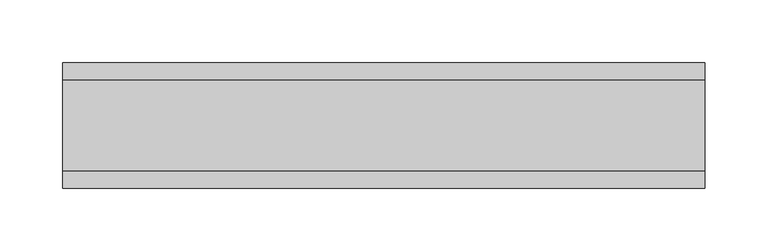
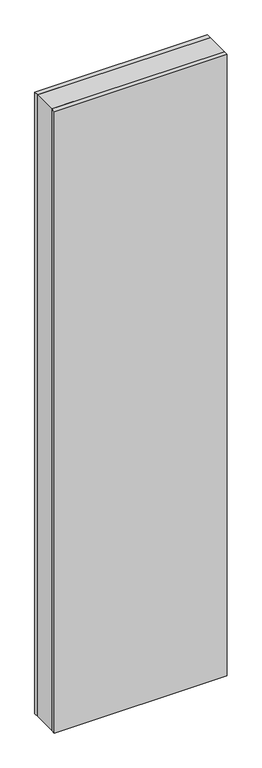
"""IFC4 building model written with IfcOpenShell, lengths in millimetres: plate geometry."""

from ifc_helpers import new_model, si_unit, origin, origin_with_axes, place, context, project, spatial, polyline, outline, extrude, source, transform, mapped, element, save


def plate_5002da5f(model_context):
    return source(origin(), model_context, "Body", "SweptSolid", [
        extrude(outline(polyline([(255.6759702, 36.0), (255.6759702, -36.0), (-255.6759702, -36.0), (-255.6759702, 36.0), (255.6759702, 36.0)])), origin_with_axes(), (0.0, 0.0, 1.0), 1943.6971514),
        extrude(outline(polyline([(255.6759702, 50.0), (255.6759702, 36.0), (-255.6759702, 36.0), (-255.6759702, 50.0), (255.6759702, 50.0)])), origin_with_axes(), (0.0, 0.0, 1.0), 1943.6971514),
        extrude(outline(polyline([(255.6759702, -36.0), (255.6759702, -50.0), (-255.6759702, -50.0), (-255.6759702, -36.0), (255.6759702, -36.0)])), origin_with_axes(), (0.0, 0.0, 1.0), 1943.6971514),
    ])


if __name__ == "__main__":
    model = new_model("IFC4")
    model_context = context("Model", 3, world=origin())
    ifc_project = project(units=[si_unit("LENGTHUNIT", "METRE", prefix="MILLI")], contexts=[model_context])
    site = spatial("IfcSite", under=ifc_project)
    building = spatial("IfcBuilding", under=site)
    placement = place(None, origin())
    plate_shape = plate_5002da5f(model_context)
    element("IfcPlate", 1, at=placement, inside=building, context=model_context, shape_type="MappedRepresentation", body=[
        mapped(plate_shape, transform((0.0, 0.0, 0.0), x_axis=(1.0, 0.0, 0.0), y_axis=(0.0, 1.0, 0.0), z_axis=(0.0, 0.0, 1.0))),
    ])
    save(model, "model.ifc")
